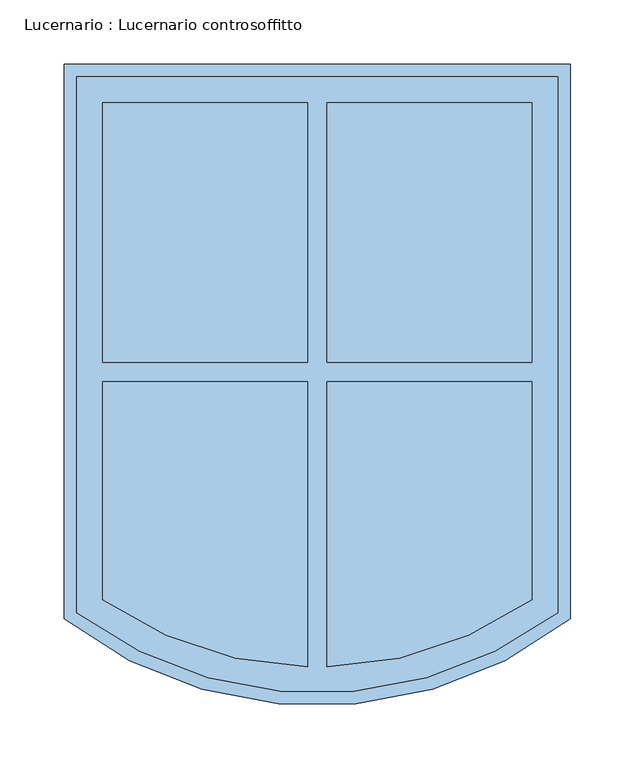
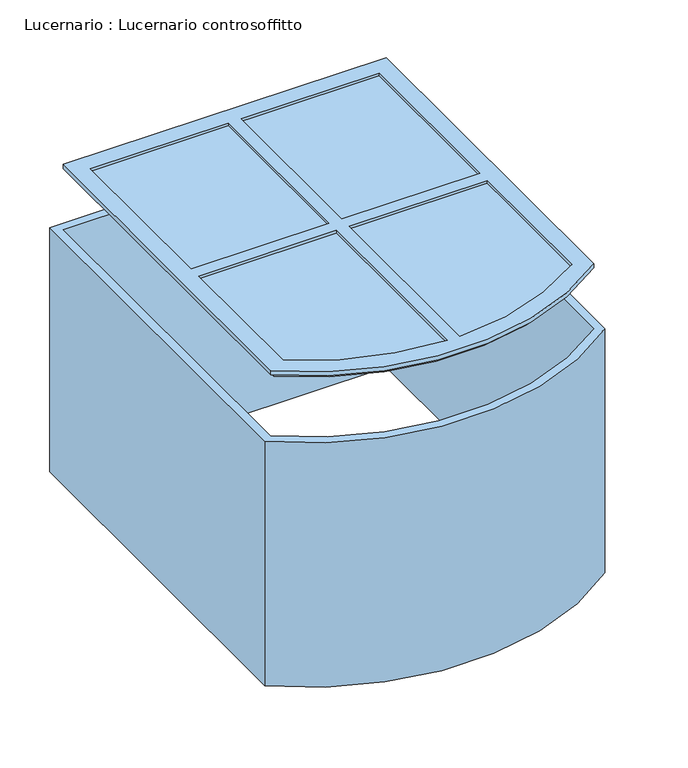
"""IFC4 building model written with IfcOpenShell, lengths in millimetres: window geometry, Lucernario : Lucernario controsoffitto."""

from ifc_helpers import new_model, si_unit, point, frame, frame_2d, origin, place, context, project, spatial, polyline, circle_curve, trimmed, segment, composite_curve, outline, extrude, source, transform, mapped, element, save
from ifc_brep_helpers import plane_surface, cylinder_surface, revolved_surface, advanced_brep


def lucernario_lucernario_controsoffitto_c58e99bf(model_context):
    return source(origin(), model_context, "Body", "SolidModel", [
        extrude(outline(composite_curve([segment(polyline([(197.5, 250.0), (197.5, -182.4647719)]), True, "CONTINUOUS"), segment(trimmed(circle_curve(frame_2d((0.0, 72.5520833)), 322.5520833), [point((197.5, -182.4647719))], [point((-197.5, -182.4647719))], False, "CARTESIAN"), True, "CONTINUOUS"), segment(polyline([(-197.5, -182.4647719), (-197.5, 250.0), (197.5, 250.0)]), True, "CONTINUOUS")], self_intersect=False), holes=[composite_curve([segment(polyline([(187.5, 240.0), (-187.5, 240.0), (-187.5, -177.5130178)]), True, "CONTINUOUS"), segment(trimmed(circle_curve(frame_2d((0.0, 72.5520833)), 312.5520833), [point((-187.5, -177.5130178))], [point((187.5, -177.5130178))], True, "CARTESIAN"), True, "CONTINUOUS"), segment(polyline([(187.5, -177.5130178), (187.5, 240.0)]), True, "CONTINUOUS")], self_intersect=False)]), frame((0.0, 0.0, 3700.0), z_axis=(0.0, 0.0, 1.0), x_axis=(1.0, 0.0, 0.0)), (0.0, 0.0, 1.0), 300.0),
        advanced_brep(
        [(-182.5, 235.0, 4070.0), (-182.5, 235.0, 4075.0), (182.5, 235.0, 4075.0), (182.5, 235.0, 4070.0), (-187.5, 240.0, 4075.0), (-187.5, 240.0, 4080.0), (187.5, 240.0, 4080.0), (187.5, 240.0, 4075.0), (-167.5, 220.0, 4080.0), (-167.5, 220.0, 4070.0), (-7.5, 220.0, 4070.0), (-7.5, 220.0, 4080.0), (167.5, 220.0, 4070.0), (167.5, 220.0, 4080.0), (7.5, 220.0, 4080.0), (7.5, 220.0, 4070.0), (182.5, -175.0, 4075.0), (182.5, -175.0, 4070.0), (187.5, -177.5130178, 4080.0), (187.5, -177.5130178, 4075.0), (167.5, 17.5, 4070.0), (167.5, 17.5, 4080.0), (167.5, -167.3030218, 4070.0), (167.5, -167.3030218, 4080.0), (167.5, 2.5, 4080.0), (167.5, 2.5, 4070.0), (-182.5, -175.0, 4075.0), (-182.5, -175.0, 4070.0), (-187.5, -177.5130178, 4075.0), (-187.5, -177.5130178, 4080.0), (7.5, 17.5, 4080.0), (-7.5, -219.9038475, 4080.0), (-167.5, -167.3030218, 4080.0), (-167.5, 2.5, 4080.0), (-7.5, 2.5, 4080.0), (7.5, -219.9038475, 4080.0), (7.5, 2.5, 4080.0), (-7.5, 17.5, 4080.0), (-167.5, 17.5, 4080.0), (7.5, -219.9038475, 4070.0), (-167.5, -167.3030218, 4070.0), (-7.5, -219.9038475, 4070.0), (-167.5, 17.5, 4070.0), (-7.5, 17.5, 4070.0), (7.5, 17.5, 4070.0), (7.5, 2.5, 4070.0), (-7.5, 2.5, 4070.0), (-167.5, 2.5, 4070.0)],
        [
            (0, 1),
            (1, 2),
            (2, 3),
            (3, 0),
            (4, 5),
            (5, 6),
            (6, 7),
            (7, 4),
            (8, 9),
            (9, 10),
            (10, 11),
            (11, 8),
            (12, 13),
            (13, 14),
            (14, 15),
            (15, 12),
            (2, 16),
            (16, 17),
            (17, 3),
            (6, 18),
            (18, 19),
            (19, 7),
            (12, 20),
            (20, 21),
            (21, 13),
            (22, 23),
            (23, 24),
            (24, 25),
            (25, 22),
            (16, 26, circle_curve(frame((0.0, 72.5520833, 4075.0), z_axis=(0.0, 0.0, -1.0), x_axis=(0.5933954276037426, -0.804911092294653, 0.0)), 307.5520833)),
            (26, 27),
            (27, 17, circle_curve(frame((0.0, 72.5520833, 4070.0), z_axis=(0.0, 0.0, 1.0), x_axis=(0.5933954276037426, -0.804911092294653, 0.0)), 307.5520833)),
            (19, 28, circle_curve(frame((0.0, 72.5520833, 4075.0), z_axis=(0.0, 0.0, -1.0), x_axis=(0.5933954276037426, -0.804911092294653, 0.0)), 312.5520833)),
            (28, 4),
            (1, 26),
            (18, 29, circle_curve(frame((0.0, 72.5520833, 4080.0), z_axis=(0.0, 0.0, -1.0), x_axis=(0.5933954276037426, -0.804911092294653, 0.0)), 312.5520833)),
            (29, 28),
            (5, 29),
            (21, 30),
            (30, 14),
            (31, 32, circle_curve(frame((0.0, 72.5520833, 4080.0), z_axis=(0.0, 0.0, -1.0), x_axis=(0.5933954276037426, -0.804911092294653, 0.0)), 292.5520833)),
            (32, 33),
            (33, 34),
            (34, 31),
            (23, 35, circle_curve(frame((0.0, 72.5520833, 4080.0), z_axis=(0.0, 0.0, -1.0), x_axis=(0.5933954276037426, -0.804911092294653, 0.0)), 292.5520833)),
            (35, 36),
            (36, 24),
            (11, 37),
            (37, 38),
            (38, 8),
            (22, 39, circle_curve(frame((0.0, 72.5520833, 4070.0), z_axis=(0.0, 0.0, -1.0), x_axis=(0.5933954276037426, -0.804911092294653, 0.0)), 292.5520833)),
            (39, 35),
            (40, 32),
            (31, 41),
            (41, 40, circle_curve(frame((0.0, 72.5520833, 4070.0), z_axis=(0.0, 0.0, -1.0), x_axis=(0.5933954276037426, -0.804911092294653, 0.0)), 292.5520833)),
            (27, 0),
            (9, 42),
            (42, 43),
            (43, 10),
            (15, 44),
            (44, 20),
            (25, 45),
            (45, 39),
            (41, 46),
            (46, 47),
            (47, 40),
            (38, 42),
            (47, 33),
            (43, 37),
            (34, 46),
            (30, 44),
            (45, 36),
        ],
        [
            plane_surface(frame((-182.5, 235.0, 4075.0), z_axis=(0.0, 1.0, 0.0), x_axis=(1.0, 0.0, 0.0))),
            plane_surface(frame((-187.5, 240.0, 4080.0), z_axis=(0.0, 1.0, 0.0), x_axis=(1.0, 0.0, 0.0))),
            plane_surface(frame((-167.5, 220.0, 4070.0), z_axis=(0.0, -1.0, 0.0), x_axis=(1.0, 0.0, 0.0))),
            plane_surface(frame((182.5, 235.0, 4075.0), z_axis=(1.0, 0.0, 0.0), x_axis=(0.0, -1.0, 0.0))),
            plane_surface(frame((187.5, 240.0, 4080.0), z_axis=(1.0, 0.0, 0.0), x_axis=(0.0, -1.0, 0.0))),
            plane_surface(frame((167.5, 220.0, 4070.0), z_axis=(-1.0, 0.0, 0.0), x_axis=(0.0, -1.0, 0.0))),
            cylinder_surface(frame((0.0, 72.5520833, 4000.0), z_axis=(0.0, 0.0, -1.0), x_axis=(0.5933954276037426, -0.804911092294653, 0.0)), 307.5520833),
            plane_surface(frame((0.0, 72.5520833, 4075.0), z_axis=(0.0, 0.0, -1.0), x_axis=(0.5933954276037426, -0.804911092294653, 0.0))),
            cylinder_surface(frame((0.0, 72.5520833, 4000.0), z_axis=(0.0, 0.0, -1.0), x_axis=(0.5933954276037426, -0.804911092294653, 0.0)), 312.5520833),
            plane_surface(frame((0.0, 72.5520833, 4080.0), z_axis=(0.0, 0.0, 1.0), x_axis=(0.5933954276037426, -0.804911092294653, 0.0))),
            revolved_surface(polyline([(173.59906856616922, -162.9263336220793, 4070.0), (173.59906856616922, -162.9263336220793, 4080.0)]), (0.0, 72.5520833, 4000.0), (0.0, 0.0, -1.0)),
            plane_surface(frame((0.0, 72.5520833, 4070.0), z_axis=(0.0, 0.0, -1.0), x_axis=(0.5933954276037426, -0.804911092294653, 0.0))),
            plane_surface(frame((-182.5, -175.0, 4075.0), z_axis=(-1.0, 0.0, 0.0), x_axis=(0.0, 1.0, 0.0))),
            plane_surface(frame((-187.5, -177.5130178, 4080.0), z_axis=(-1.0, 0.0, 0.0), x_axis=(0.0, 1.0, 0.0))),
            plane_surface(frame((-167.5, -167.3030218, 4070.0), z_axis=(1.0, 0.0, 0.0), x_axis=(0.0, 1.0, 0.0))),
            plane_surface(frame((-7.5, -223.6048067, 4080.0), z_axis=(-1.0, 0.0, 0.0), x_axis=(0.0, 1.0, 0.0))),
            plane_surface(frame((7.5, -223.6048067, 4070.0), z_axis=(1.0, 0.0, 0.0), x_axis=(0.0, 1.0, 0.0))),
            plane_surface(frame((167.5, 17.5, 4070.0), z_axis=(0.0, 1.0, 0.0), x_axis=(-1.0, 0.0, 0.0))),
            plane_surface(frame((167.5, 2.5, 4080.0), z_axis=(0.0, -1.0, 0.0), x_axis=(-1.0, 0.0, 0.0))),
        ],
        [
            (0, [[1, 2, 3, 4]]),
            (1, [[5, 6, 7, 8]]),
            (2, [[9, 10, 11, 12]]),
            (2, [[13, 14, 15, 16]]),
            (3, [[-3, 17, 18, 19]]),
            (4, [[-7, 20, 21, 22]]),
            (5, [[-13, 23, 24, 25]]),
            (5, [[26, 27, 28, 29]]),
            (6, [[-18, 30, 31, 32]]),
            (7, [[-8, -22, 33, 34], [-2, 35, -30, -17]]),
            (8, [[-21, 36, 37, -33]]),
            (9, [[-6, 38, -36, -20], [-25, 39, 40, -14], [41, 42, 43, 44], [45, 46, 47, -27], [48, 49, 50, -12]]),
            (10, [[-26, 51, 52, -45]]),
            (10, [[53, -41, 54, 55]]),
            (11, [[-4, -19, -32, 56], [-10, 57, 58, 59], [-16, 60, 61, -23], [-29, 62, 63, -51], [64, 65, 66, -55]]),
            (12, [[-1, -56, -31, -35]]),
            (13, [[-5, -34, -37, -38]]),
            (14, [[-9, -50, 67, -57]]),
            (14, [[-53, -66, 68, -42]]),
            (15, [[-11, -59, 69, -48]]),
            (15, [[-54, -44, 70, -64]]),
            (16, [[-15, -40, 71, -60]]),
            (16, [[-52, -63, 72, -46]]),
            (17, [[-39, -24, -61, -71]]),
            (17, [[-58, -67, -49, -69]]),
            (18, [[-47, -72, -62, -28]]),
            (18, [[-65, -70, -43, -68]]),
        ],
    ),
        extrude(outline(composite_curve([segment(polyline([(7.5, -219.9038475), (7.5, 2.5), (167.5, 2.5), (167.5, -167.3030218)]), True, "CONTINUOUS"), segment(trimmed(circle_curve(frame_2d((0.0, 72.5520833)), 292.5520833), [point((167.5, -167.3030218))], [point((7.5, -219.9038475))], False, "CARTESIAN"), True, "CONTINUOUS")], self_intersect=False)), frame((0.0, 0.0, 4073.0), z_axis=(0.0, 0.0, 1.0), x_axis=(1.0, 0.0, 0.0)), (0.0, 0.0, 1.0), 4.0),
        extrude(outline(composite_curve([segment(polyline([(-7.5, 2.5), (-7.5, -219.9038475)]), True, "CONTINUOUS"), segment(trimmed(circle_curve(frame_2d((0.0, 72.5520833)), 292.5520833), [point((-7.5, -219.9038475))], [point((-167.5, -167.3030218))], False, "CARTESIAN"), True, "CONTINUOUS"), segment(polyline([(-167.5, -167.3030218), (-167.5, 2.5), (-7.5, 2.5)]), True, "CONTINUOUS")], self_intersect=False)), frame((0.0, 0.0, 4073.0), z_axis=(0.0, 0.0, 1.0), x_axis=(1.0, 0.0, 0.0)), (0.0, 0.0, 1.0), 4.0),
        extrude(outline(polyline([(-167.5, 17.5), (-167.5, 220.0), (-7.5, 220.0), (-7.5, 17.5), (-167.5, 17.5)])), frame((0.0, 0.0, 4073.0), z_axis=(0.0, 0.0, 1.0), x_axis=(1.0, 0.0, 0.0)), (0.0, 0.0, 1.0), 4.0),
        extrude(outline(polyline([(7.5, 17.5), (7.5, 220.0), (167.5, 220.0), (167.5, 17.5), (7.5, 17.5)])), frame((0.0, 0.0, 4073.0), z_axis=(0.0, 0.0, 1.0), x_axis=(1.0, 0.0, 0.0)), (0.0, 0.0, 1.0), 4.0),
    ])


if __name__ == "__main__":
    model = new_model("IFC4")
    model_context = context("Model", 3, world=origin())
    ifc_project = project(units=[si_unit("LENGTHUNIT", "METRE", prefix="MILLI")], contexts=[model_context])
    site = spatial("IfcSite", under=ifc_project)
    building = spatial("IfcBuilding", under=site)
    placement = place(None, origin())
    lucernario_lucernario_controsoffitto_shape = lucernario_lucernario_controsoffitto_c58e99bf(model_context)
    element("IfcWindow", 1, ObjectType="Lucernario : Lucernario controsoffitto", at=placement, inside=building, context=model_context, shape_type="MappedRepresentation", body=[
        mapped(lucernario_lucernario_controsoffitto_shape, transform((0.0, 0.0, 0.0), x_axis=(1.0, 0.0, 0.0), y_axis=(0.0, 1.0, 0.0), z_axis=(0.0, 0.0, 1.0))),
    ])
    save(model, "model.ifc")
